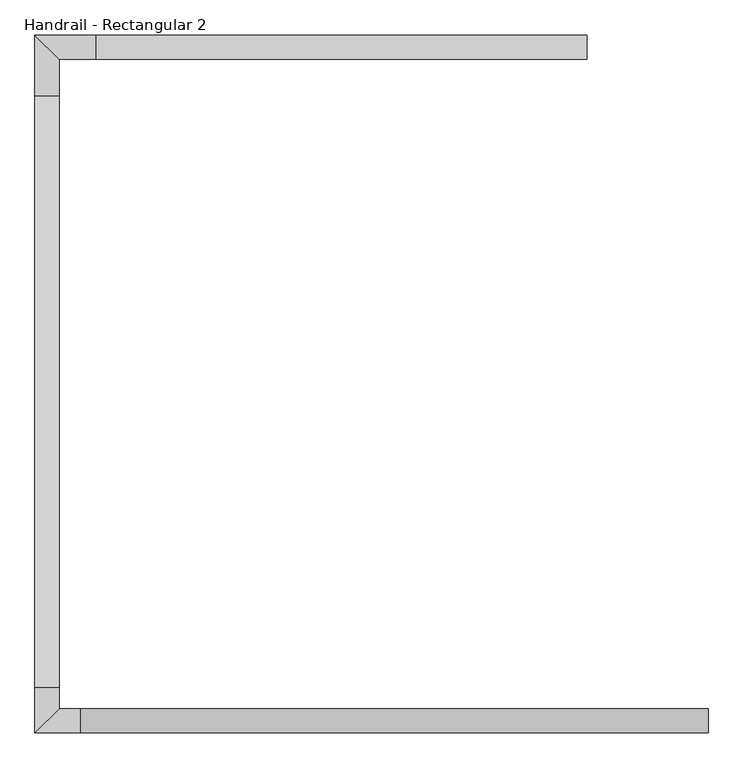
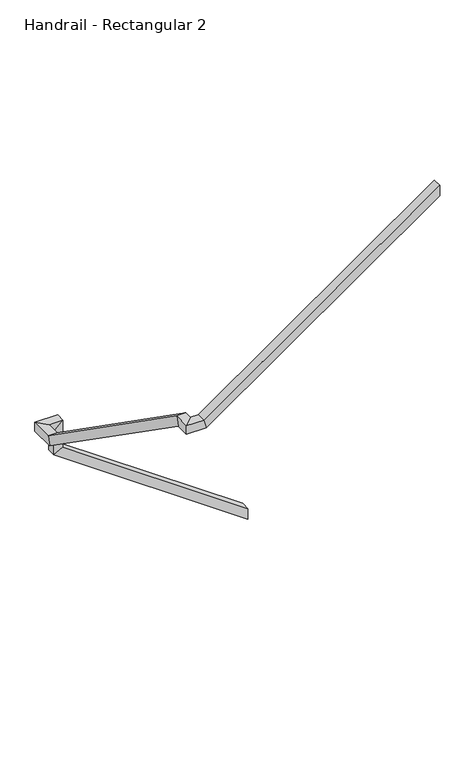
"""IFC4 building model written with IfcOpenShell, lengths in millimetres: railing geometry, Handrail - Rectangular 2."""

import ifcopenshell
import ifcopenshell.guid

model = None  # the IFC model being written
_history = None  # IfcOwnerHistory: only IFC2X3 demands one
_inside = {}  # id of a spatial element -> (the spatial element, [elements in it])
_under = {}  # id of a project, library or spatial element -> (it, [spatial elements below it])
_declared = {}  # id of a project -> (the project, [libraries it declares])
_typed = {}  # id of a type object -> (the type object, [elements of that type])
_made_of = {}  # id of a material, layer set ... -> (it, [elements and type objects made of it])


def new_model(schema):
    """Start an empty IFC model of exactly this schema.

    Asked for "IFC4X3", IfcOpenShell would pick the latest addendum, in which some entities
    have other attributes; the version numbers below select the first issue.
    IFC2X3 requires an IfcOwnerHistory on every rooted entity: one is made here for all.
    """
    global model, _history
    if schema == "IFC4X3":
        model = ifcopenshell.file(schema_version=(4, 3, 0, 0))
    else:
        model = ifcopenshell.file(schema=schema)
    _inside.clear()
    _under.clear()
    _declared.clear()
    _typed.clear()
    _made_of.clear()
    _history = None
    if model.schema == "IFC2X3":
        org = make("IfcOrganization", Name="unknown")
        user = make(
            "IfcPersonAndOrganization",
            ThePerson=make("IfcPerson", FamilyName="unknown"),
            TheOrganization=org,
        )
        app = make(
            "IfcApplication",
            ApplicationDeveloper=org,
            Version="unknown",
            ApplicationFullName="unknown",
            ApplicationIdentifier="unknown",
        )
        _history = make(
            "IfcOwnerHistory",
            OwningUser=user,
            OwningApplication=app,
            ChangeAction="ADDED",
            CreationDate=0,
        )
    return model


def make(cls, **values):
    """One entity of the class cls with the attributes given. An attribute that is None is left unset."""
    return model.create_entity(
        cls, **{name: value for name, value in values.items() if value is not None}
    )


def rooted(cls, **values):
    """An entity with a GlobalId (a new one), such as an element, a storey or a relation."""
    return make(cls, GlobalId=ifcopenshell.guid.new(), OwnerHistory=_history, **values)


def si_unit(unit_type, name, prefix=None):
    """IfcSIUnit, for example si_unit("LENGTHUNIT", "METRE", prefix="MILLI")."""
    return make("IfcSIUnit", UnitType=unit_type, Prefix=prefix, Name=name)


def assignment(units):
    """IfcUnitAssignment: the units of a project."""
    return None if units is None else make("IfcUnitAssignment", Units=units)


def point(xyz):
    """IfcCartesianPoint."""
    return None if xyz is None else make("IfcCartesianPoint", Coordinates=xyz)


def direction(xyz):
    """IfcDirection."""
    return None if xyz is None else make("IfcDirection", DirectionRatios=xyz)


def frame(location, z_axis=None, x_axis=None):
    """IfcAxis2Placement3D, a coordinate frame: its origin and axes. An axis left out is left unset."""
    return make(
        "IfcAxis2Placement3D",
        Location=point(location),
        Axis=direction(z_axis),
        RefDirection=direction(x_axis),
    )


def origin():
    """The frame at (0, 0, 0) with its axes left unset."""
    return frame((0.0, 0.0, 0.0))


def place(relative_to, where):
    """IfcLocalPlacement: puts the frame where relative to a parent placement (None: the world)."""
    return make(
        "IfcLocalPlacement", PlacementRelTo=relative_to, RelativePlacement=where
    )


def context(
    kind, dimensions, precision=None, world=None, true_north=None, identifier=None
):
    """IfcGeometricRepresentationContext, for example the 3D "Model" context."""
    return make(
        "IfcGeometricRepresentationContext",
        ContextIdentifier=identifier,
        ContextType=kind,
        CoordinateSpaceDimension=dimensions,
        Precision=precision,
        WorldCoordinateSystem=world,
        TrueNorth=true_north,
    )


def project(units=None, contexts=None):
    """IfcProject with its units and contexts."""
    return rooted(
        "IfcProject",
        Name="project",
        RepresentationContexts=contexts,
        UnitsInContext=assignment(units),
    )


def spatial(cls, under=None, at=None, **own):
    """A site, building, storey or space (cls), placed at a placement, below another one or the project."""
    s = rooted(cls, ObjectPlacement=at, **own)
    if under is not None:
        _under.setdefault(under.id(), (under, []))[1].append(s)
    return s


def faces_of(points, faces, orient=None, outer=None):
    """IfcFace entities. A face is a list of loops; a loop is a list of indices into points, from 0.

    orient and outer hold one flag for each loop. By default every Orientation is true, the
    first loop of a face is its IfcFaceOuterBound and the others are IfcFaceBound.
    """
    made = []
    for i, loops in enumerate(faces):
        bounds = []
        for j, loop in enumerate(loops):
            is_outer = j == 0 if outer is None else outer[i][j]
            bounds.append(
                make(
                    "IfcFaceOuterBound" if is_outer else "IfcFaceBound",
                    Bound=make("IfcPolyLoop", Polygon=[points[k] for k in loop]),
                    Orientation=True if orient is None else orient[i][j],
                )
            )
        made.append(make("IfcFace", Bounds=bounds))
    return made


def faceted_brep(points, faces, orient=None, outer=None, voids=None):
    """IfcFacetedBrep: a solid bounded by flat faces; with voids (closed shells), ...WithVoids."""
    shared = [point(p) for p in points]
    hull = make("IfcClosedShell", CfsFaces=faces_of(shared, faces, orient, outer))
    if voids is None:
        return make("IfcFacetedBrep", Outer=hull)
    return make(
        "IfcFacetedBrepWithVoids",
        Outer=hull,
        Voids=[
            make(cls, CfsFaces=faces_of(shared, fs, o, b)) for cls, fs, o, b in voids
        ],
    )


def shape(context_of_items, identifier, shape_type, items):
    """IfcShapeRepresentation: the items that make up one representation, for example the "Body"."""
    return make(
        "IfcShapeRepresentation",
        ContextOfItems=context_of_items,
        RepresentationIdentifier=identifier,
        RepresentationType=shape_type,
        Items=items,
    )


def source(mapping_origin, context_of_items, identifier, shape_type, items):
    """IfcRepresentationMap: a shape defined once, which mapped items show again and again."""
    return make(
        "IfcRepresentationMap",
        MappingOrigin=mapping_origin,
        MappedRepresentation=shape(context_of_items, identifier, shape_type, items),
    )


def transform(
    local_origin,
    x_axis=None,
    y_axis=None,
    z_axis=None,
    scale=None,
    scale2=None,
    scale3=None,
    uniform=True,
):
    """IfcCartesianTransformationOperator3D, or its non-uniform kind. x_axis, y_axis, z_axis: its Axis1, 2, 3."""
    if uniform:
        return make(
            "IfcCartesianTransformationOperator3D",
            Axis1=direction(x_axis),
            Axis2=direction(y_axis),
            LocalOrigin=point(local_origin),
            Scale=scale,
            Axis3=direction(z_axis),
        )
    return make(
        "IfcCartesianTransformationOperator3DnonUniform",
        Axis1=direction(x_axis),
        Axis2=direction(y_axis),
        LocalOrigin=point(local_origin),
        Scale=scale,
        Axis3=direction(z_axis),
        Scale2=scale2,
        Scale3=scale3,
    )


def mapped(mapping_source, mapping_target):
    """IfcMappedItem: shows the shape of a source again, moved by a transform."""
    return make(
        "IfcMappedItem", MappingSource=mapping_source, MappingTarget=mapping_target
    )


def made_of(thing, what):
    """Note that an element or type object is made of a material, layer set ...; save() writes the relation."""
    if what is not None:
        _made_of.setdefault(what.id(), (what, []))[1].append(thing)
    return thing


def element(
    cls,
    number,
    at=None,
    inside=None,
    cuts=None,
    type_object=None,
    material=None,
    context=None,
    identifier="Body",
    shape_type=None,
    held_by="IfcProductDefinitionShape",
    body=None,
    shapes=None,
    **own,
):
    """One element of the class cls, such as IfcWall. Its Tag is "e" and its number.

    at: its placement. inside: the storey or other place that contains it. cuts: it is an
    opening in that element (IfcRelVoidsElement). A single representation is given by context,
    identifier, shape_type and body (its items); several are given by shapes. held_by: the class
    of the entity that holds the representations. save() writes the other relations.
    """
    e = rooted(cls, Tag="e%d" % number, ObjectPlacement=at, **own)
    if body is not None:
        shapes = [shape(context, identifier, shape_type, body)]
    if shapes is not None:
        e.Representation = make(held_by, Representations=shapes)
    if inside is not None:
        _inside.setdefault(inside.id(), (inside, []))[1].append(e)
    if cuts is not None:
        rooted(
            "IfcRelVoidsElement", RelatingBuildingElement=cuts, RelatedOpeningElement=e
        )
    if type_object is not None:
        _typed.setdefault(type_object.id(), (type_object, []))[1].append(e)
    return made_of(e, material)


def aggregate(whole, parts):
    """IfcRelAggregates: a whole, such as a stair, and the parts it consists of."""
    return rooted("IfcRelAggregates", RelatingObject=whole, RelatedObjects=parts)


def save(model, path):
    """Write the relations noted so far, then the file.

    IfcRelAggregates (storeys below a building ...), IfcRelContainedInSpatialStructure (elements
    in a storey), IfcRelDefinesByType, IfcRelAssociatesMaterial and IfcRelDeclares: one each for
    every whole, place, type object, material and project.
    """
    for whole, parts in _under.values():
        aggregate(whole, parts)
    for where, things in _inside.values():
        rooted(
            "IfcRelContainedInSpatialStructure",
            RelatedElements=things,
            RelatingStructure=where,
        )
    for kind, things in _typed.values():
        rooted("IfcRelDefinesByType", RelatedObjects=things, RelatingType=kind)
    for what, things in _made_of.values():
        rooted("IfcRelAssociatesMaterial", RelatedObjects=things, RelatingMaterial=what)
    for by, libraries in _declared.values():
        rooted("IfcRelDeclares", RelatingContext=by, RelatedDefinitions=libraries)
    model.write(path)


def handrail_rectangular_2_7e9dbb1d(model_context):
    return source(origin(), model_context, "Body", "Brep", [
        faceted_brep([(3094.4995947, 5114.3637279, 1092.2), (3094.4995947, 5114.3637279, 1030.1906975), (3094.4995947, 5165.1637279, 1030.1906975), (3094.4995947, 5165.1637279, 1092.2), (2065.7995947, 5114.3637279, 1812.29), (2014.9995947, 5114.3637279, 1785.8406975), (2014.9995947, 5165.1637279, 1785.8406975), (2065.7995947, 5165.1637279, 1812.29), (2065.7995947, 5114.3637279, 1972.31), (2014.9995947, 5114.3637279, 1921.51), (2014.9995947, 5165.1637279, 1921.51), (2065.7995947, 5165.1637279, 1972.31), (1989.5995947, 5114.3637279, 1972.31), (1989.5995947, 5114.3637279, 1921.51), (1938.7995947, 5165.1637279, 1921.51), (1938.7995947, 5165.1637279, 1972.31), (1989.5995947, 5038.1637279, 1972.31), (1989.5995947, 5022.1504386, 1921.51), (1938.7995947, 5022.1504386, 1921.51), (1938.7995947, 5038.1637279, 1972.31), (1989.5995947, 3799.9137279, 2839.085), (1989.5995947, 3783.9004386, 2788.285), (1938.7995947, 3783.9004386, 2788.285), (1938.7995947, 3799.9137279, 2839.085), (1989.5995947, 3755.4637279, 2839.085), (1989.5995947, 3755.4637279, 2788.285), (1938.7995947, 3704.6637279, 2788.285), (1938.7995947, 3704.6637279, 2839.085), (2034.0495947, 3755.4637279, 2839.085), (2050.062884, 3755.4637279, 2788.285), (2050.062884, 3704.6637279, 2788.285), (2034.0495947, 3704.6637279, 2839.085), (3348.4995947, 3755.4637279, 3759.2), (3348.4995947, 3704.6637279, 3759.2), (3348.4995947, 3704.6637279, 3697.1906975), (3348.4995947, 3755.4637279, 3697.1906975)], [[[0, 1, 2, 3]], [[1, 0, 4, 5]], [[2, 1, 5, 6]], [[3, 2, 6, 7]], [[0, 3, 7, 4]], [[5, 4, 8, 9]], [[6, 5, 9, 10]], [[7, 6, 10, 11]], [[4, 7, 11, 8]], [[9, 8, 12, 13]], [[10, 9, 13, 14]], [[11, 10, 14, 15]], [[8, 11, 15, 12]], [[13, 12, 16, 17]], [[14, 13, 17, 18]], [[15, 14, 18, 19]], [[12, 15, 19, 16]], [[17, 16, 20, 21]], [[18, 17, 21, 22]], [[19, 18, 22, 23]], [[16, 19, 23, 20]], [[21, 20, 24, 25]], [[22, 21, 25, 26]], [[23, 22, 26, 27]], [[20, 23, 27, 24]], [[25, 24, 28, 29]], [[26, 25, 29, 30]], [[27, 26, 30, 31]], [[24, 27, 31, 28]], [[32, 33, 34, 35]], [[29, 28, 32, 35]], [[30, 29, 35, 34]], [[31, 30, 34, 33]], [[28, 31, 33, 32]]]),
    ])


if __name__ == "__main__":
    model = new_model("IFC4")
    model_context = context("Model", 3, world=origin())
    ifc_project = project(units=[si_unit("LENGTHUNIT", "METRE", prefix="MILLI")], contexts=[model_context])
    site = spatial("IfcSite", under=ifc_project)
    building = spatial("IfcBuilding", under=site)
    placement = place(None, origin())
    handrail_rectangular_2_shape = handrail_rectangular_2_7e9dbb1d(model_context)
    element("IfcRailing", 1, ObjectType="Handrail - Rectangular 2", at=placement, inside=building, context=model_context, shape_type="MappedRepresentation", body=[
        mapped(handrail_rectangular_2_shape, transform((0.0, 0.0, 0.0), x_axis=(1.0, 0.0, 0.0), y_axis=(0.0, 1.0, 0.0), z_axis=(0.0, 0.0, 1.0))),
    ])
    save(model, "model.ifc")
